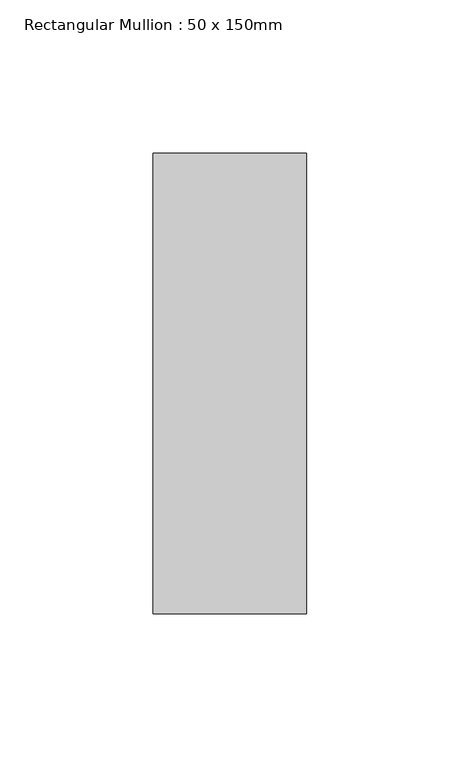
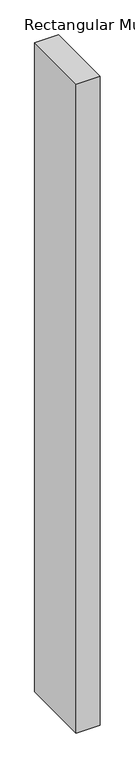
"""IFC4 building model written with IfcOpenShell, lengths in millimetres: member geometry, Rectangular Mullion : 50 x 150mm."""

import ifcopenshell
import ifcopenshell.guid

model = None  # the IFC model being written
_history = None  # IfcOwnerHistory: only IFC2X3 demands one
_inside = {}  # id of a spatial element -> (the spatial element, [elements in it])
_under = {}  # id of a project, library or spatial element -> (it, [spatial elements below it])
_declared = {}  # id of a project -> (the project, [libraries it declares])
_typed = {}  # id of a type object -> (the type object, [elements of that type])
_made_of = {}  # id of a material, layer set ... -> (it, [elements and type objects made of it])


def new_model(schema):
    """Start an empty IFC model of exactly this schema.

    Asked for "IFC4X3", IfcOpenShell would pick the latest addendum, in which some entities
    have other attributes; the version numbers below select the first issue.
    IFC2X3 requires an IfcOwnerHistory on every rooted entity: one is made here for all.
    """
    global model, _history
    if schema == "IFC4X3":
        model = ifcopenshell.file(schema_version=(4, 3, 0, 0))
    else:
        model = ifcopenshell.file(schema=schema)
    _inside.clear()
    _under.clear()
    _declared.clear()
    _typed.clear()
    _made_of.clear()
    _history = None
    if model.schema == "IFC2X3":
        org = make("IfcOrganization", Name="unknown")
        user = make(
            "IfcPersonAndOrganization",
            ThePerson=make("IfcPerson", FamilyName="unknown"),
            TheOrganization=org,
        )
        app = make(
            "IfcApplication",
            ApplicationDeveloper=org,
            Version="unknown",
            ApplicationFullName="unknown",
            ApplicationIdentifier="unknown",
        )
        _history = make(
            "IfcOwnerHistory",
            OwningUser=user,
            OwningApplication=app,
            ChangeAction="ADDED",
            CreationDate=0,
        )
    return model


def make(cls, **values):
    """One entity of the class cls with the attributes given. An attribute that is None is left unset."""
    return model.create_entity(
        cls, **{name: value for name, value in values.items() if value is not None}
    )


def rooted(cls, **values):
    """An entity with a GlobalId (a new one), such as an element, a storey or a relation."""
    return make(cls, GlobalId=ifcopenshell.guid.new(), OwnerHistory=_history, **values)


def si_unit(unit_type, name, prefix=None):
    """IfcSIUnit, for example si_unit("LENGTHUNIT", "METRE", prefix="MILLI")."""
    return make("IfcSIUnit", UnitType=unit_type, Prefix=prefix, Name=name)


def assignment(units):
    """IfcUnitAssignment: the units of a project."""
    return None if units is None else make("IfcUnitAssignment", Units=units)


def point(xyz):
    """IfcCartesianPoint."""
    return None if xyz is None else make("IfcCartesianPoint", Coordinates=xyz)


def direction(xyz):
    """IfcDirection."""
    return None if xyz is None else make("IfcDirection", DirectionRatios=xyz)


def frame(location, z_axis=None, x_axis=None):
    """IfcAxis2Placement3D, a coordinate frame: its origin and axes. An axis left out is left unset."""
    return make(
        "IfcAxis2Placement3D",
        Location=point(location),
        Axis=direction(z_axis),
        RefDirection=direction(x_axis),
    )


def origin():
    """The frame at (0, 0, 0) with its axes left unset."""
    return frame((0.0, 0.0, 0.0))


def place(relative_to, where):
    """IfcLocalPlacement: puts the frame where relative to a parent placement (None: the world)."""
    return make(
        "IfcLocalPlacement", PlacementRelTo=relative_to, RelativePlacement=where
    )


def context(
    kind, dimensions, precision=None, world=None, true_north=None, identifier=None
):
    """IfcGeometricRepresentationContext, for example the 3D "Model" context."""
    return make(
        "IfcGeometricRepresentationContext",
        ContextIdentifier=identifier,
        ContextType=kind,
        CoordinateSpaceDimension=dimensions,
        Precision=precision,
        WorldCoordinateSystem=world,
        TrueNorth=true_north,
    )


def project(units=None, contexts=None):
    """IfcProject with its units and contexts."""
    return rooted(
        "IfcProject",
        Name="project",
        RepresentationContexts=contexts,
        UnitsInContext=assignment(units),
    )


def spatial(cls, under=None, at=None, **own):
    """A site, building, storey or space (cls), placed at a placement, below another one or the project."""
    s = rooted(cls, ObjectPlacement=at, **own)
    if under is not None:
        _under.setdefault(under.id(), (under, []))[1].append(s)
    return s


def polyline(points):
    """IfcPolyline through the points."""
    return make("IfcPolyline", Points=[point(p) for p in points])


def outline(outer, holes=None, kind="AREA"):
    """IfcArbitraryClosedProfileDef: a profile drawn as a closed curve; with holes, ...WithVoids."""
    if holes is None:
        return make("IfcArbitraryClosedProfileDef", ProfileType=kind, OuterCurve=outer)
    return make(
        "IfcArbitraryProfileDefWithVoids",
        ProfileType=kind,
        OuterCurve=outer,
        InnerCurves=holes,
    )


def extrude(swept, where, along, depth):
    """IfcExtrudedAreaSolid: the profile swept, set in the frame where, extruded along a direction by depth."""
    return make(
        "IfcExtrudedAreaSolid",
        SweptArea=swept,
        Position=where,
        ExtrudedDirection=direction(along),
        Depth=depth,
    )


def shape(context_of_items, identifier, shape_type, items):
    """IfcShapeRepresentation: the items that make up one representation, for example the "Body"."""
    return make(
        "IfcShapeRepresentation",
        ContextOfItems=context_of_items,
        RepresentationIdentifier=identifier,
        RepresentationType=shape_type,
        Items=items,
    )


def source(mapping_origin, context_of_items, identifier, shape_type, items):
    """IfcRepresentationMap: a shape defined once, which mapped items show again and again."""
    return make(
        "IfcRepresentationMap",
        MappingOrigin=mapping_origin,
        MappedRepresentation=shape(context_of_items, identifier, shape_type, items),
    )


def transform(
    local_origin,
    x_axis=None,
    y_axis=None,
    z_axis=None,
    scale=None,
    scale2=None,
    scale3=None,
    uniform=True,
):
    """IfcCartesianTransformationOperator3D, or its non-uniform kind. x_axis, y_axis, z_axis: its Axis1, 2, 3."""
    if uniform:
        return make(
            "IfcCartesianTransformationOperator3D",
            Axis1=direction(x_axis),
            Axis2=direction(y_axis),
            LocalOrigin=point(local_origin),
            Scale=scale,
            Axis3=direction(z_axis),
        )
    return make(
        "IfcCartesianTransformationOperator3DnonUniform",
        Axis1=direction(x_axis),
        Axis2=direction(y_axis),
        LocalOrigin=point(local_origin),
        Scale=scale,
        Axis3=direction(z_axis),
        Scale2=scale2,
        Scale3=scale3,
    )


def mapped(mapping_source, mapping_target):
    """IfcMappedItem: shows the shape of a source again, moved by a transform."""
    return make(
        "IfcMappedItem", MappingSource=mapping_source, MappingTarget=mapping_target
    )


def made_of(thing, what):
    """Note that an element or type object is made of a material, layer set ...; save() writes the relation."""
    if what is not None:
        _made_of.setdefault(what.id(), (what, []))[1].append(thing)
    return thing


def element(
    cls,
    number,
    at=None,
    inside=None,
    cuts=None,
    type_object=None,
    material=None,
    context=None,
    identifier="Body",
    shape_type=None,
    held_by="IfcProductDefinitionShape",
    body=None,
    shapes=None,
    **own,
):
    """One element of the class cls, such as IfcWall. Its Tag is "e" and its number.

    at: its placement. inside: the storey or other place that contains it. cuts: it is an
    opening in that element (IfcRelVoidsElement). A single representation is given by context,
    identifier, shape_type and body (its items); several are given by shapes. held_by: the class
    of the entity that holds the representations. save() writes the other relations.
    """
    e = rooted(cls, Tag="e%d" % number, ObjectPlacement=at, **own)
    if body is not None:
        shapes = [shape(context, identifier, shape_type, body)]
    if shapes is not None:
        e.Representation = make(held_by, Representations=shapes)
    if inside is not None:
        _inside.setdefault(inside.id(), (inside, []))[1].append(e)
    if cuts is not None:
        rooted(
            "IfcRelVoidsElement", RelatingBuildingElement=cuts, RelatedOpeningElement=e
        )
    if type_object is not None:
        _typed.setdefault(type_object.id(), (type_object, []))[1].append(e)
    return made_of(e, material)


def aggregate(whole, parts):
    """IfcRelAggregates: a whole, such as a stair, and the parts it consists of."""
    return rooted("IfcRelAggregates", RelatingObject=whole, RelatedObjects=parts)


def save(model, path):
    """Write the relations noted so far, then the file.

    IfcRelAggregates (storeys below a building ...), IfcRelContainedInSpatialStructure (elements
    in a storey), IfcRelDefinesByType, IfcRelAssociatesMaterial and IfcRelDeclares: one each for
    every whole, place, type object, material and project.
    """
    for whole, parts in _under.values():
        aggregate(whole, parts)
    for where, things in _inside.values():
        rooted(
            "IfcRelContainedInSpatialStructure",
            RelatedElements=things,
            RelatingStructure=where,
        )
    for kind, things in _typed.values():
        rooted("IfcRelDefinesByType", RelatedObjects=things, RelatingType=kind)
    for what, things in _made_of.values():
        rooted("IfcRelAssociatesMaterial", RelatedObjects=things, RelatingMaterial=what)
    for by, libraries in _declared.values():
        rooted("IfcRelDeclares", RelatingContext=by, RelatedDefinitions=libraries)
    model.write(path)


def rectangular_mullion_50_x_150mm_3917b8fe(model_context):
    return source(origin(), model_context, "Body", "SweptSolid", [
        extrude(outline(polyline([(0.0, 75.0), (0.0, -75.0), (-50.0, -75.0), (-50.0, 75.0), (0.0, 75.0)])), frame((0.0, 0.0, -1431.7335987), z_axis=(0.0, 0.0, 1.0), x_axis=(1.0, 0.0, 0.0)), (0.0, 0.0, 1.0), 1431.7335987),
    ])


if __name__ == "__main__":
    model = new_model("IFC4")
    model_context = context("Model", 3, world=origin())
    ifc_project = project(units=[si_unit("LENGTHUNIT", "METRE", prefix="MILLI")], contexts=[model_context])
    site = spatial("IfcSite", under=ifc_project)
    building = spatial("IfcBuilding", under=site)
    placement = place(None, origin())
    rectangular_mullion_50_x_150mm_shape = rectangular_mullion_50_x_150mm_3917b8fe(model_context)
    element("IfcMember", 1, ObjectType="Rectangular Mullion : 50 x 150mm", at=placement, inside=building, context=model_context, shape_type="MappedRepresentation", body=[
        mapped(rectangular_mullion_50_x_150mm_shape, transform((0.0, 0.0, 0.0), x_axis=(1.0, 0.0, 0.0), y_axis=(0.0, 1.0, 0.0), z_axis=(0.0, 0.0, 1.0))),
    ])
    save(model, "model.ifc")
